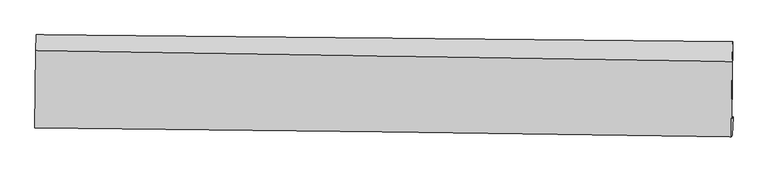
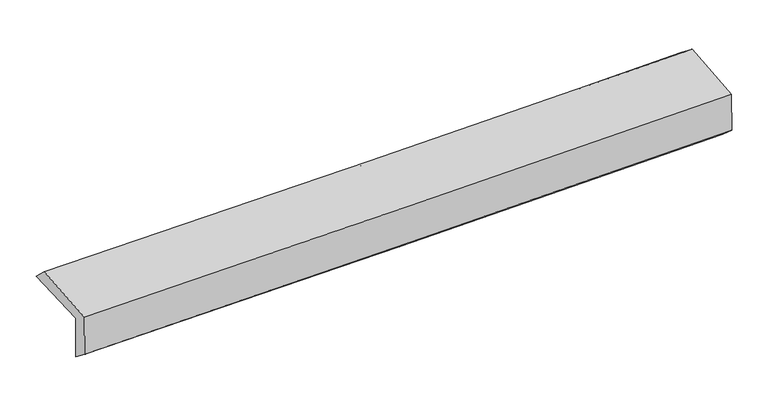
"""IFC4 building model written with IfcOpenShell, lengths in millimetres: proxy geometry."""

from ifc_helpers import new_model, si_unit, frame, origin, place, context, project, spatial, source, transform, mapped, element, save
from ifc_brep_helpers import plane_surface, spline_curve, spline_surface, advanced_brep


def generic_models_7d18f233(model_context):
    return source(origin(), model_context, "Body", "AdvancedBrep", [
        advanced_brep(
        [(-3019.5427508, -1767.3110689, 1963.3487448), (-3011.3649729, -1109.7970178, 1978.8401065), (3002.3236169, -1168.1901766, 2124.4861803), (2994.1153485, -1837.2164886, 2108.0176594), (-3008.9940185, -1744.8913535, 1563.4459154), (3004.4856961, -1821.7557582, 1711.531513), (-3014.1207343, -1899.1113226, 1684.9189318), (2999.0622884, -1978.6506201, 1844.048184), (-3024.0073296, -1913.8508465, 2062.9099371), (2989.3057451, -1993.1962549, 2217.0669544), (-3016.4718255, -1246.4168062, 2108.4884223), (2996.5799024, -1340.7314663, 2261.6207526)],
        [
            (0, 1),
            (1, 2, spline_curve(3, [(-3011.3649729, -1109.7970178, 1978.8401065), (-2007.002587064, -1120.27372602, 1994.237888327), (-1002.883453892, -1130.385341561, 2014.100364201), (1001.677865589, -1149.847410795, 2062.677389069), (2002.121595763, -1159.200181513, 2091.363604505), (3002.3236169, -1168.1901766, 2124.4861803)], [4, 2, 4], [0.0, 9.88427663743542, 19.73713983110767])),
            (2, 3),
            (3, 0, spline_curve(3, [(2994.1153485, -1837.2164886, 2108.0176594), (1993.748974708, -1825.697288492, 2068.239616728), (993.225470362, -1814.121598506, 2036.301542268), (-1011.326225948, -1790.820152935, 1988.028499617), (-2015.355421105, -1779.094036005, 1971.743602293), (-3019.5427508, -1767.3110689, 1963.3487448)], [4, 2, 4], [0.0, 9.852863193672249, 19.73713983110767])),
            (4, 0),
            (3, 5),
            (5, 4, spline_curve(3, [(3004.4856961, -1821.7557582, 1711.531513), (2004.080348984, -1807.038129157, 1675.025778451), (1003.552144561, -1793.282608461, 1644.442644354), (-1000.940309058, -1767.654995874, 1595.042952567), (-2004.90534279, -1755.789048137, 1576.264220961), (-3008.9940185, -1744.8913535, 1563.4459154)], [4, 2, 4], [0.0, 9.852961722132031, 19.73733720216112])),
            (6, 4),
            (5, 7),
            (7, 6, spline_curve(3, [(2999.0622884, -1978.6506201, 1844.048184), (1998.415249444, -1963.20784223, 1814.095151871), (997.79065241, -1948.866971409, 1785.87620588), (-1006.603831579, -1922.346834394, 1732.822046825), (-2010.373575691, -1910.174606314, 1707.997908553), (-3014.1207343, -1899.1113226, 1684.9189318)], [4, 2, 4], [0.0, 9.852825355428793, 19.737064033982776])),
            (8, 6),
            (7, 9),
            (9, 8, spline_curve(3, [(2989.3057451, -1993.1962549, 2217.0669544), (1988.682216029, -1977.718426765, 2186.21507425), (988.058589599, -1963.37610902, 2157.959023956), (-1016.379101336, -1936.920387506, 2106.55677291), (-2020.193166457, -1924.814235716, 2083.427150531), (-3024.0073296, -1913.8508465, 2062.9099371)], [4, 2, 4], [0.0, 9.852786774307582, 19.736986748733884])),
            (10, 8),
            (9, 11),
            (11, 10, spline_curve(3, [(2996.5799024, -1340.7314663, 2261.6207526), (1996.330452078, -1324.420212355, 2230.835465569), (995.915872351, -1308.417048635, 2202.697884178), (-1008.433648959, -1276.976861062, 2151.636863788), (-2012.369645278, -1261.54180472, 2128.730335401), (-3016.4718255, -1246.4168062, 2108.4884223)], [4, 2, 4], [0.0, 9.852728403978244, 19.736869821975695])),
            (1, 10),
            (11, 2),
        ],
        [
            spline_surface(3, 3, [[(-3019.5427508, -1767.3110689, 1963.3487448), (-2015.355421124, -1779.09403616, 1971.743602316), (-1011.326225916, -1790.820152818, 1988.028499503), (993.225470329, -1814.121598623, 2036.301542382), (1993.748974842, -1825.697288491, 2068.239616708), (2994.1153485, -1837.2164886, 2108.0176594)], [(-3016.816824842, -1548.139718528, 1968.512532046), (-2012.571143076, -1559.487266135, 1979.241697673), (-1008.511968605, -1570.675215703, 1996.719121066), (996.042935408, -1592.69686936, 2045.093491273), (1996.539848483, -1603.531586219, 2075.947612636), (2996.851437935, -1614.207717934, 2113.507166373)], [(-3014.090898858, -1328.968368172, 1973.676319254), (-2009.786865003, -1339.880496126, 1986.739792992), (-1005.697711237, -1350.530278612, 2005.40974264), (998.860400544, -1371.272140121, 2053.885440176), (1999.330722219, -1381.365883947, 2083.655608546), (2999.587527465, -1391.198947266, 2118.996673327)], [(-3011.3649729, -1109.7970178, 1978.8401065), (-2007.002586955, -1120.273726101, 1994.237888349), (-1002.883453926, -1130.385341498, 2014.100364202), (1001.677865623, -1149.847410858, 2062.677389068), (2002.12159586, -1159.200181676, 2091.363604474), (3002.3236169, -1168.1901766, 2124.4861803)]], [4, 4], [4, 2, 4], [0.0, 2.174938070697933], [0.0, 9.88427663743542, 19.73713983110767]),
            spline_surface(3, 3, [[(-3008.9940185, -1744.8913535, 1563.4459154), (-2004.905342939, -1755.78904807, 1576.26422093), (-1000.940309021, -1767.654995714, 1595.042952664), (1003.552144524, -1793.282608621, 1644.442644258), (2004.080348821, -1807.038129211, 1675.025778392), (3004.4856961, -1821.7557582, 1711.531513)], [(-3012.51026261, -1752.364591969, 1696.746858533), (-2008.388702344, -1763.557377435, 1708.090681392), (-1004.402281323, -1775.376714744, 1726.038134967), (1000.109919788, -1800.228938617, 1775.062276989), (2000.636557516, -1813.257848994, 1806.097057841), (3001.028913588, -1826.909335023, 1843.69356181)], [(-3016.02650669, -1759.837830431, 1830.047801667), (-2011.87206172, -1771.325706795, 1839.917141854), (-1007.864253614, -1783.098433788, 1857.0333172), (996.667695065, -1807.175268627, 1905.68190965), (1997.192766147, -1819.477568708, 1937.168337259), (2997.572131012, -1832.062911777, 1975.85561059)], [(-3019.5427508, -1767.3110689, 1963.3487448), (-2015.355421124, -1779.09403616, 1971.743602316), (-1011.326225916, -1790.820152818, 1988.028499503), (993.225470329, -1814.121598623, 2036.301542382), (1993.748974842, -1825.697288491, 2068.239616708), (2994.1153485, -1837.2164886, 2108.0176594)]], [4, 4], [4, 2, 4], [0.0, 1.289950682670979], [0.0, 9.88437548002909, 19.73733720216112]),
            spline_surface(3, 3, [[(-3014.1207343, -1899.1113226, 1684.9189318), (-2010.373575787, -1910.17460624, 1707.997908562), (-1006.603831705, -1922.346834554, 1732.822046802), (997.790652535, -1948.866971249, 1785.876205904), (1998.415249336, -1963.207842092, 1814.095151756), (2999.0622884, -1978.6506201, 1844.048184)], [(-3012.411829035, -1847.704666225, 1644.427926334), (-2008.550831506, -1858.712753508, 1664.086679352), (-1004.715990813, -1870.782888284, 1686.895682059), (999.711149861, -1897.00551705, 1738.731685325), (2000.303615813, -1911.151271118, 1767.73869398), (3000.870090949, -1926.352332786, 1799.875960346)], [(-3010.702923765, -1796.298009875, 1603.936920866), (-2006.72808722, -1807.250900802, 1620.17545014), (-1002.828149912, -1819.218941984, 1640.969317406), (1001.631647198, -1845.144062821, 1691.587164836), (2002.191982344, -1859.094700185, 1721.382236167), (3002.677893551, -1874.054045514, 1755.703736654)], [(-3008.9940185, -1744.8913535, 1563.4459154), (-2004.905342939, -1755.78904807, 1576.26422093), (-1000.940309021, -1767.654995714, 1595.042952664), (1003.552144524, -1793.282608621, 1644.442644258), (2004.080348821, -1807.038129211, 1675.025778392), (3004.4856961, -1821.7557582, 1711.531513)]], [4, 4], [4, 2, 4], [0.0, 0.6849676743605156], [0.0, 9.884238678553983, 19.737064033982776]),
            spline_surface(3, 3, [[(-3024.0073296, -1913.8508465, 2062.9099371), (-2020.193166538, -1924.814235775, 2083.427150555), (-1016.37910134, -1936.920387476, 2106.556772845), (988.058589603, -1963.37610905, 2157.959024022), (1988.682215977, -1977.718426873, 2186.215074129), (2989.3057451, -1993.1962549, 2217.0669544)], [(-3020.711797819, -1908.937671849, 1936.91293534), (-2016.919969606, -1919.934359245, 1958.284069898), (-1013.120678122, -1932.062536478, 1981.978530829), (991.302610586, -1958.539729759, 2033.931417981), (1991.926560456, -1972.881565295, 2062.175099981), (2992.557926226, -1988.347709983, 2092.727364243)], [(-3017.416266081, -1904.024497251, 1810.91593356), (-2013.646772719, -1915.054482769, 1833.140989219), (-1009.862254923, -1927.204685552, 1857.400288818), (994.546631552, -1953.70335054, 1909.903811945), (1995.170904857, -1968.044703669, 1938.135125904), (2995.810107274, -1983.499165017, 1968.387774157)], [(-3014.1207343, -1899.1113226, 1684.9189318), (-2010.373575787, -1910.17460624, 1707.997908562), (-1006.603831705, -1922.346834554, 1732.822046802), (997.790652535, -1948.866971249, 1785.876205904), (1998.415249336, -1963.207842092, 1814.095151756), (2999.0622884, -1978.6506201, 1844.048184)]], [4, 4], [4, 2, 4], [0.0, 1.2248105525923432], [0.0, 9.884199974426302, 19.736986748733884]),
            spline_surface(3, 3, [[(-3016.4718255, -1246.4168062, 2108.4884223), (-2012.369645301, -1261.541804774, 2128.730335331), (-1008.433648964, -1276.976860993, 2151.636863909), (995.915872357, -1308.417048704, 2202.697884058), (1996.330452024, -1324.420212505, 2230.835465555), (2996.5799024, -1340.7314663, 2261.6207526)], [(-3018.983660226, -1468.894819646, 2093.295593902), (-2014.977485739, -1482.63261512, 2113.629273741), (-1011.082133096, -1496.958036508, 2136.610166901), (993.2967781, -1526.736735507, 2187.784930726), (1993.781039998, -1542.186283938, 2215.962001755), (2994.15518329, -1558.219729144, 2246.769486542)], [(-3021.495494874, -1691.372833054, 2078.102765498), (-2017.5853261, -1703.723425429, 2098.528212145), (-1013.730617209, -1716.93921196, 2121.583469853), (990.67768386, -1745.056422247, 2172.871977354), (1991.231628003, -1759.95235544, 2201.088537929), (2991.73046421, -1775.707992056, 2231.918220458)], [(-3024.0073296, -1913.8508465, 2062.9099371), (-2020.193166538, -1924.814235775, 2083.427150555), (-1016.37910134, -1936.920387476, 2106.556772845), (988.058589603, -1963.37610905, 2157.959024022), (1988.682215977, -1977.718426873, 2186.215074129), (2989.3057451, -1993.1962549, 2217.0669544)]], [4, 4], [4, 2, 4], [0.0, 2.1622004060331745], [0.0, 9.884141417997451, 19.736869821975695]),
            spline_surface(3, 3, [[(-3011.3649729, -1109.7970178, 1978.8401065), (-2007.002586955, -1120.273726101, 1994.237888349), (-1002.883453926, -1130.385341498, 2014.100364202), (1001.677865623, -1149.847410858, 2062.677389068), (2002.12159586, -1159.200181676, 2091.363604474), (3002.3236169, -1168.1901766, 2124.4861803)], [(-3013.067257069, -1155.336947284, 2022.056211745), (-2008.791606373, -1167.363085676, 2039.068703988), (-1004.733518912, -1179.249181335, 2059.945864103), (999.757201228, -1202.703956812, 2109.350887397), (2000.191214593, -1214.273525283, 2137.854224821), (3000.409045412, -1225.703939831, 2170.197704387)], [(-3014.769541331, -1200.876876716, 2065.272317055), (-2010.580625883, -1214.4524452, 2083.899519692), (-1006.583583978, -1228.113021156, 2105.791364008), (997.836536752, -1255.560502749, 2156.024385729), (1998.26083329, -1269.346868898, 2184.344845208), (2998.494473888, -1283.217703069, 2215.909228513)], [(-3016.4718255, -1246.4168062, 2108.4884223), (-2012.369645301, -1261.541804774, 2128.730335331), (-1008.433648964, -1276.976860993, 2151.636863909), (995.915872357, -1308.417048704, 2202.697884058), (1996.330452024, -1324.420212505, 2230.835465555), (2996.5799024, -1340.7314663, 2261.6207526)]], [4, 4], [4, 2, 4], [0.0, 0.6768824742851358], [0.0, 9.884070484872012, 19.73672818115899]),
            plane_surface(frame((2997.6454329, -1689.9567941, 2044.461874), z_axis=(0.9995880164170833, -0.012895117408298842, 0.025642023757638067), x_axis=(0.026126851725197648, 0.03895146341103868, -0.9988994799863838))),
            plane_surface(frame((-3015.7502719, -1613.5630692, 1893.6586763), z_axis=(-0.9995863276840804, 0.013036282414540449, -0.02563647495001901), x_axis=(-0.012433007578011293, -0.9996452954647495, -0.023552145926837152))),
        ],
        [
            (0, [[1, 2, 3, 4]]),
            (1, [[5, -4, 6, 7]]),
            (2, [[8, -7, 9, 10]]),
            (3, [[11, -10, 12, 13]]),
            (4, [[14, -13, 15, 16]]),
            (5, [[17, -16, 18, -2]]),
            (6, [[-12, -9, -6, -3, -18, -15]]),
            (7, [[-1, -5, -8, -11, -14, -17]]),
        ],
    ),
    ])


if __name__ == "__main__":
    model = new_model("IFC4")
    model_context = context("Model", 3, world=origin())
    ifc_project = project(units=[si_unit("LENGTHUNIT", "METRE", prefix="MILLI")], contexts=[model_context])
    site = spatial("IfcSite", under=ifc_project)
    building = spatial("IfcBuilding", under=site)
    placement = place(None, origin())
    generic_models_shape = generic_models_7d18f233(model_context)
    element("IfcBuildingElementProxy", 1, Name="Generic Models", at=placement, inside=building, context=model_context, shape_type="MappedRepresentation", body=[
        mapped(generic_models_shape, transform((0.0, 0.0, 0.0), x_axis=(1.0, 0.0, 0.0), y_axis=(0.0, 1.0, 0.0), z_axis=(0.0, 0.0, 1.0))),
    ])
    save(model, "model.ifc")
